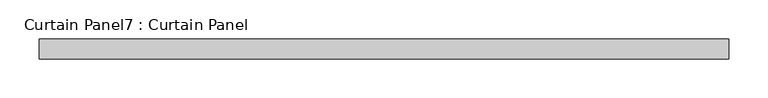
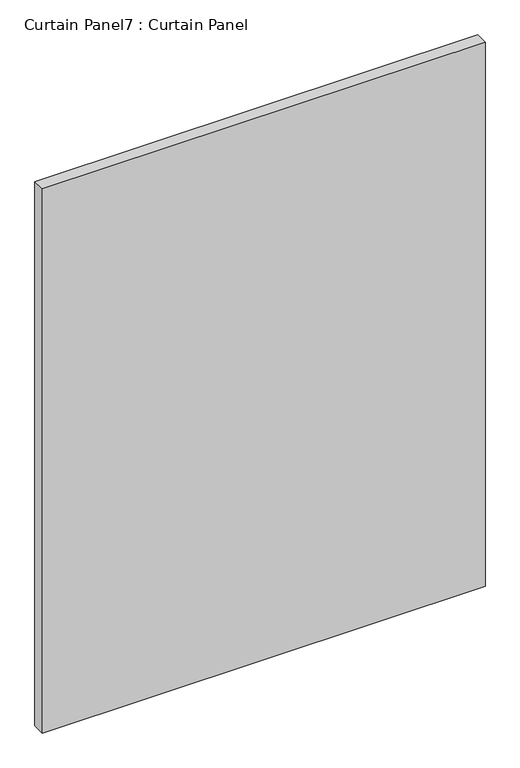
"""IFC4 building model written with IfcOpenShell, lengths in millimetres: plate geometry, Curtain Panel7 : Curtain Panel."""

import ifcopenshell
import ifcopenshell.guid

model = None  # the IFC model being written
_history = None  # IfcOwnerHistory: only IFC2X3 demands one
_inside = {}  # id of a spatial element -> (the spatial element, [elements in it])
_under = {}  # id of a project, library or spatial element -> (it, [spatial elements below it])
_declared = {}  # id of a project -> (the project, [libraries it declares])
_typed = {}  # id of a type object -> (the type object, [elements of that type])
_made_of = {}  # id of a material, layer set ... -> (it, [elements and type objects made of it])


def new_model(schema):
    """Start an empty IFC model of exactly this schema.

    Asked for "IFC4X3", IfcOpenShell would pick the latest addendum, in which some entities
    have other attributes; the version numbers below select the first issue.
    IFC2X3 requires an IfcOwnerHistory on every rooted entity: one is made here for all.
    """
    global model, _history
    if schema == "IFC4X3":
        model = ifcopenshell.file(schema_version=(4, 3, 0, 0))
    else:
        model = ifcopenshell.file(schema=schema)
    _inside.clear()
    _under.clear()
    _declared.clear()
    _typed.clear()
    _made_of.clear()
    _history = None
    if model.schema == "IFC2X3":
        org = make("IfcOrganization", Name="unknown")
        user = make(
            "IfcPersonAndOrganization",
            ThePerson=make("IfcPerson", FamilyName="unknown"),
            TheOrganization=org,
        )
        app = make(
            "IfcApplication",
            ApplicationDeveloper=org,
            Version="unknown",
            ApplicationFullName="unknown",
            ApplicationIdentifier="unknown",
        )
        _history = make(
            "IfcOwnerHistory",
            OwningUser=user,
            OwningApplication=app,
            ChangeAction="ADDED",
            CreationDate=0,
        )
    return model


def make(cls, **values):
    """One entity of the class cls with the attributes given. An attribute that is None is left unset."""
    return model.create_entity(
        cls, **{name: value for name, value in values.items() if value is not None}
    )


def rooted(cls, **values):
    """An entity with a GlobalId (a new one), such as an element, a storey or a relation."""
    return make(cls, GlobalId=ifcopenshell.guid.new(), OwnerHistory=_history, **values)


def si_unit(unit_type, name, prefix=None):
    """IfcSIUnit, for example si_unit("LENGTHUNIT", "METRE", prefix="MILLI")."""
    return make("IfcSIUnit", UnitType=unit_type, Prefix=prefix, Name=name)


def assignment(units):
    """IfcUnitAssignment: the units of a project."""
    return None if units is None else make("IfcUnitAssignment", Units=units)


def point(xyz):
    """IfcCartesianPoint."""
    return None if xyz is None else make("IfcCartesianPoint", Coordinates=xyz)


def direction(xyz):
    """IfcDirection."""
    return None if xyz is None else make("IfcDirection", DirectionRatios=xyz)


def frame(location, z_axis=None, x_axis=None):
    """IfcAxis2Placement3D, a coordinate frame: its origin and axes. An axis left out is left unset."""
    return make(
        "IfcAxis2Placement3D",
        Location=point(location),
        Axis=direction(z_axis),
        RefDirection=direction(x_axis),
    )


def origin():
    """The frame at (0, 0, 0) with its axes left unset."""
    return frame((0.0, 0.0, 0.0))


def place(relative_to, where):
    """IfcLocalPlacement: puts the frame where relative to a parent placement (None: the world)."""
    return make(
        "IfcLocalPlacement", PlacementRelTo=relative_to, RelativePlacement=where
    )


def context(
    kind, dimensions, precision=None, world=None, true_north=None, identifier=None
):
    """IfcGeometricRepresentationContext, for example the 3D "Model" context."""
    return make(
        "IfcGeometricRepresentationContext",
        ContextIdentifier=identifier,
        ContextType=kind,
        CoordinateSpaceDimension=dimensions,
        Precision=precision,
        WorldCoordinateSystem=world,
        TrueNorth=true_north,
    )


def project(units=None, contexts=None):
    """IfcProject with its units and contexts."""
    return rooted(
        "IfcProject",
        Name="project",
        RepresentationContexts=contexts,
        UnitsInContext=assignment(units),
    )


def spatial(cls, under=None, at=None, **own):
    """A site, building, storey or space (cls), placed at a placement, below another one or the project."""
    s = rooted(cls, ObjectPlacement=at, **own)
    if under is not None:
        _under.setdefault(under.id(), (under, []))[1].append(s)
    return s


def polyline(points):
    """IfcPolyline through the points."""
    return make("IfcPolyline", Points=[point(p) for p in points])


def outline(outer, holes=None, kind="AREA"):
    """IfcArbitraryClosedProfileDef: a profile drawn as a closed curve; with holes, ...WithVoids."""
    if holes is None:
        return make("IfcArbitraryClosedProfileDef", ProfileType=kind, OuterCurve=outer)
    return make(
        "IfcArbitraryProfileDefWithVoids",
        ProfileType=kind,
        OuterCurve=outer,
        InnerCurves=holes,
    )


def extrude(swept, where, along, depth):
    """IfcExtrudedAreaSolid: the profile swept, set in the frame where, extruded along a direction by depth."""
    return make(
        "IfcExtrudedAreaSolid",
        SweptArea=swept,
        Position=where,
        ExtrudedDirection=direction(along),
        Depth=depth,
    )


def shape(context_of_items, identifier, shape_type, items):
    """IfcShapeRepresentation: the items that make up one representation, for example the "Body"."""
    return make(
        "IfcShapeRepresentation",
        ContextOfItems=context_of_items,
        RepresentationIdentifier=identifier,
        RepresentationType=shape_type,
        Items=items,
    )


def source(mapping_origin, context_of_items, identifier, shape_type, items):
    """IfcRepresentationMap: a shape defined once, which mapped items show again and again."""
    return make(
        "IfcRepresentationMap",
        MappingOrigin=mapping_origin,
        MappedRepresentation=shape(context_of_items, identifier, shape_type, items),
    )


def transform(
    local_origin,
    x_axis=None,
    y_axis=None,
    z_axis=None,
    scale=None,
    scale2=None,
    scale3=None,
    uniform=True,
):
    """IfcCartesianTransformationOperator3D, or its non-uniform kind. x_axis, y_axis, z_axis: its Axis1, 2, 3."""
    if uniform:
        return make(
            "IfcCartesianTransformationOperator3D",
            Axis1=direction(x_axis),
            Axis2=direction(y_axis),
            LocalOrigin=point(local_origin),
            Scale=scale,
            Axis3=direction(z_axis),
        )
    return make(
        "IfcCartesianTransformationOperator3DnonUniform",
        Axis1=direction(x_axis),
        Axis2=direction(y_axis),
        LocalOrigin=point(local_origin),
        Scale=scale,
        Axis3=direction(z_axis),
        Scale2=scale2,
        Scale3=scale3,
    )


def mapped(mapping_source, mapping_target):
    """IfcMappedItem: shows the shape of a source again, moved by a transform."""
    return make(
        "IfcMappedItem", MappingSource=mapping_source, MappingTarget=mapping_target
    )


def made_of(thing, what):
    """Note that an element or type object is made of a material, layer set ...; save() writes the relation."""
    if what is not None:
        _made_of.setdefault(what.id(), (what, []))[1].append(thing)
    return thing


def element(
    cls,
    number,
    at=None,
    inside=None,
    cuts=None,
    type_object=None,
    material=None,
    context=None,
    identifier="Body",
    shape_type=None,
    held_by="IfcProductDefinitionShape",
    body=None,
    shapes=None,
    **own,
):
    """One element of the class cls, such as IfcWall. Its Tag is "e" and its number.

    at: its placement. inside: the storey or other place that contains it. cuts: it is an
    opening in that element (IfcRelVoidsElement). A single representation is given by context,
    identifier, shape_type and body (its items); several are given by shapes. held_by: the class
    of the entity that holds the representations. save() writes the other relations.
    """
    e = rooted(cls, Tag="e%d" % number, ObjectPlacement=at, **own)
    if body is not None:
        shapes = [shape(context, identifier, shape_type, body)]
    if shapes is not None:
        e.Representation = make(held_by, Representations=shapes)
    if inside is not None:
        _inside.setdefault(inside.id(), (inside, []))[1].append(e)
    if cuts is not None:
        rooted(
            "IfcRelVoidsElement", RelatingBuildingElement=cuts, RelatedOpeningElement=e
        )
    if type_object is not None:
        _typed.setdefault(type_object.id(), (type_object, []))[1].append(e)
    return made_of(e, material)


def aggregate(whole, parts):
    """IfcRelAggregates: a whole, such as a stair, and the parts it consists of."""
    return rooted("IfcRelAggregates", RelatingObject=whole, RelatedObjects=parts)


def save(model, path):
    """Write the relations noted so far, then the file.

    IfcRelAggregates (storeys below a building ...), IfcRelContainedInSpatialStructure (elements
    in a storey), IfcRelDefinesByType, IfcRelAssociatesMaterial and IfcRelDeclares: one each for
    every whole, place, type object, material and project.
    """
    for whole, parts in _under.values():
        aggregate(whole, parts)
    for where, things in _inside.values():
        rooted(
            "IfcRelContainedInSpatialStructure",
            RelatedElements=things,
            RelatingStructure=where,
        )
    for kind, things in _typed.values():
        rooted("IfcRelDefinesByType", RelatedObjects=things, RelatingType=kind)
    for what, things in _made_of.values():
        rooted("IfcRelAssociatesMaterial", RelatedObjects=things, RelatingMaterial=what)
    for by, libraries in _declared.values():
        rooted("IfcRelDeclares", RelatingContext=by, RelatedDefinitions=libraries)
    model.write(path)


def curtain_panel7_curtain_panel_b0688b06(model_context):
    return source(origin(), model_context, "Body", "SweptSolid", [
        extrude(outline(polyline([(-174909.1628689, 4757.6387985), (-175788.6378689, 4757.6387985), (-175788.6378689, 4783.0387985), (-174909.1628689, 4783.0387985), (-174909.1628689, 4757.6387985)])), frame((0.0, 0.0, 2455.8625), z_axis=(0.0, 0.0, 1.0), x_axis=(1.0, 0.0, 0.0)), (0.0, 0.0, 1.0), 1143.0),
    ])


if __name__ == "__main__":
    model = new_model("IFC4")
    model_context = context("Model", 3, world=origin())
    ifc_project = project(units=[si_unit("LENGTHUNIT", "METRE", prefix="MILLI")], contexts=[model_context])
    site = spatial("IfcSite", under=ifc_project)
    building = spatial("IfcBuilding", under=site)
    placement = place(None, origin())
    curtain_panel7_curtain_panel_shape = curtain_panel7_curtain_panel_b0688b06(model_context)
    element("IfcPlate", 1, ObjectType="Curtain Panel7 : Curtain Panel", at=placement, inside=building, context=model_context, shape_type="MappedRepresentation", body=[
        mapped(curtain_panel7_curtain_panel_shape, transform((0.0, 0.0, 0.0), x_axis=(1.0, 0.0, 0.0), y_axis=(0.0, 1.0, 0.0), z_axis=(0.0, 0.0, 1.0))),
    ])
    save(model, "model.ifc")
